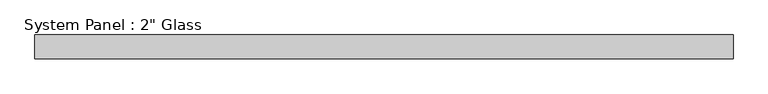
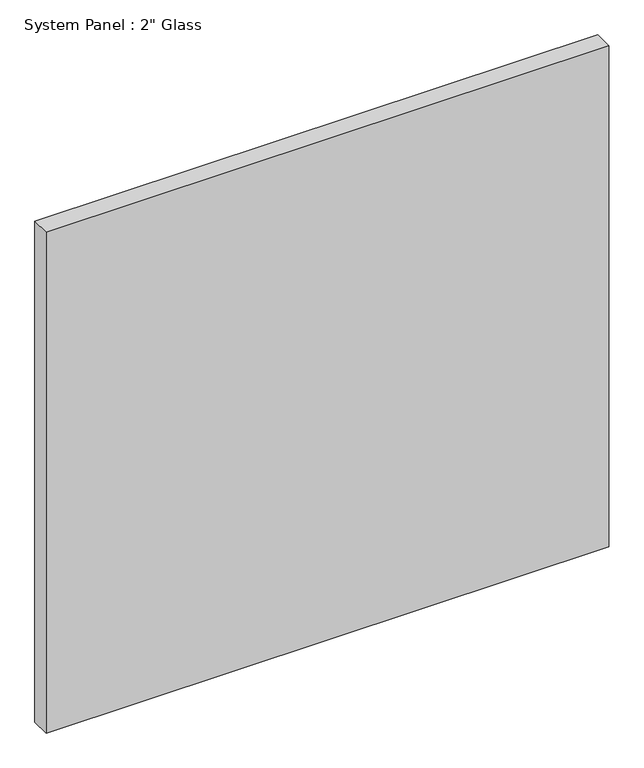
"""IFC4 building model written with IfcOpenShell, lengths in millimetres: plate geometry."""

from ifc_helpers import new_model, si_unit, origin, origin_with_axes, place, context, project, spatial, polyline, outline, extrude, source, transform, mapped, element, save


def plate_3ca5634d(model_context):
    return source(origin(), model_context, "Body", "SweptSolid", [
        extrude(outline(polyline([(742.9508852, -25.4), (-742.9508852, -25.4), (-742.9508852, 25.4), (742.9508852, 25.4), (742.9508852, -25.4)])), origin_with_axes(), (0.0, 0.0, 1.0), 1397.5261731),
    ])


if __name__ == "__main__":
    model = new_model("IFC4")
    model_context = context("Model", 3, world=origin())
    ifc_project = project(units=[si_unit("LENGTHUNIT", "METRE", prefix="MILLI")], contexts=[model_context])
    site = spatial("IfcSite", under=ifc_project)
    building = spatial("IfcBuilding", under=site)
    placement = place(None, origin())
    plate_shape = plate_3ca5634d(model_context)
    element("IfcPlate", 1, ObjectType="System Panel : 2\" Glass", at=placement, inside=building, context=model_context, shape_type="MappedRepresentation", body=[
        mapped(plate_shape, transform((0.0, 0.0, 0.0), x_axis=(1.0, 0.0, 0.0), y_axis=(0.0, 1.0, 0.0), z_axis=(0.0, 0.0, 1.0))),
    ])
    save(model, "model.ifc")
